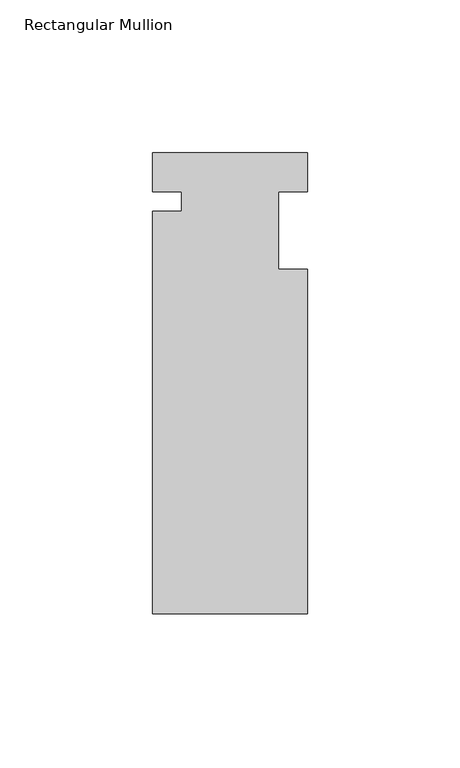
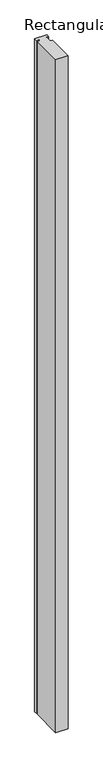
"""IFC4 building model written with IfcOpenShell, lengths in millimetres: member geometry, Rectangular Mullion."""

from ifc_helpers import new_model, si_unit, frame, origin, place, context, project, spatial, polyline, outline, extrude, source, transform, mapped, element, save


def rectangular_mullion_f4a893db(model_context):
    return source(origin(), model_context, "Body", "SweptSolid", [
        extrude(outline(polyline([(-25.4, 12.88415), (25.4, 12.88415), (25.4, 0.0), (15.875, 0.0), (15.875, -25.4), (25.4, -25.4), (25.4, -138.29665), (-25.4, -138.29665), (-25.4, -6.35), (-15.875, -6.35), (-15.875, 0.0), (-25.4, 0.0), (-25.4, 12.88415)])), frame((0.0, 0.0, -2946.4), z_axis=(0.0, 0.0, 1.0), x_axis=(1.0, 0.0, 0.0)), (0.0, 0.0, 1.0), 2946.4),
    ])


if __name__ == "__main__":
    model = new_model("IFC4")
    model_context = context("Model", 3, world=origin())
    ifc_project = project(units=[si_unit("LENGTHUNIT", "METRE", prefix="MILLI")], contexts=[model_context])
    site = spatial("IfcSite", under=ifc_project)
    building = spatial("IfcBuilding", under=site)
    placement = place(None, origin())
    rectangular_mullion_shape = rectangular_mullion_f4a893db(model_context)
    element("IfcMember", 1, ObjectType="Rectangular Mullion", at=placement, inside=building, context=model_context, shape_type="MappedRepresentation", body=[
        mapped(rectangular_mullion_shape, transform((0.0, 0.0, 0.0), x_axis=(1.0, 0.0, 0.0), y_axis=(0.0, 1.0, 0.0), z_axis=(0.0, 0.0, 1.0))),
    ])
    save(model, "model.ifc")
